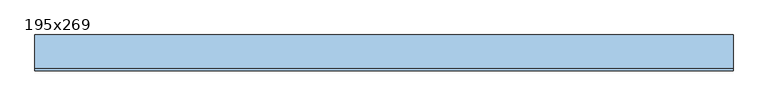
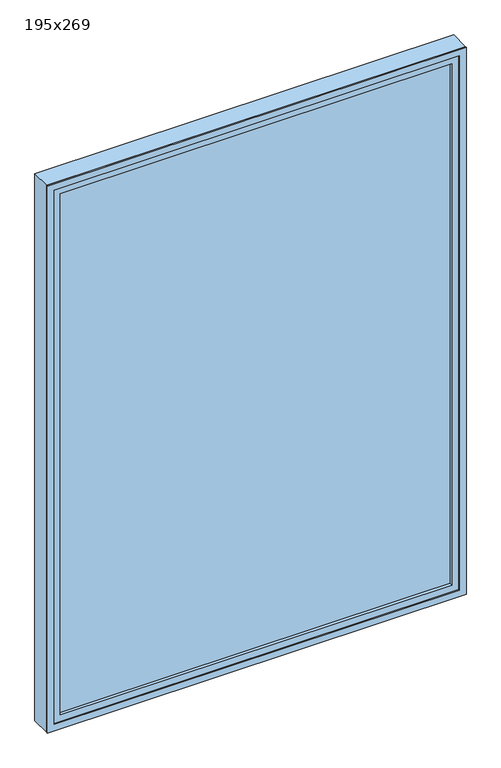
"""IFC4 building model written with IfcOpenShell, lengths in millimetres: window geometry, 195x269."""

from ifc_helpers import new_model, si_unit, frame, origin, place, context, project, spatial, polyline, outline, extrude, source, transform, mapped, element, save


def window_195x269_f2ac5d2d(model_context):
    return source(origin(), model_context, "Body", "SweptSolid", [
        extrude(outline(polyline([(873.4, -28.575), (-949.6, -28.575), (-949.6, -15.875), (873.4, -15.875), (873.4, -28.575)])), frame((0.0, 0.0, 977.9), z_axis=(0.0, 0.0, 1.0), x_axis=(1.0, 0.0, 0.0)), (0.0, 0.0, 1.0), 2563.0),
        extrude(outline(polyline([(3585.35, -994.05), (933.45, -994.05), (933.45, 917.85), (3585.35, 917.85), (3585.35, -994.05)]), holes=[polyline([(3540.9, -949.6), (3540.9, 873.4), (977.9, 873.4), (977.9, -949.6), (3540.9, -949.6)])]), frame((0.0, -44.45, 0.0), z_axis=(0.0, 1.0, 0.0), x_axis=(0.0, 0.0, 1.0)), (0.0, 0.0, 1.0), 44.45),
        extrude(outline(polyline([(3604.4, -1013.1), (914.4, -1013.1), (914.4, 936.9), (3604.4, 936.9), (3604.4, -1013.1)]), holes=[polyline([(3572.65, -981.35), (3572.65, 905.15), (946.15, 905.15), (946.15, -981.35), (3572.65, -981.35)])]), frame((0.0, -50.0, 0.0), z_axis=(0.0, 1.0, 0.0), x_axis=(0.0, 0.0, 1.0)), (0.0, 0.0, 1.0), 5.55),
        extrude(outline(polyline([(3604.4, 936.9), (3604.4, -1013.1), (914.4, -1013.1), (914.4, 936.9), (3604.4, 936.9)]), holes=[polyline([(3585.35, 917.85), (933.45, 917.85), (933.45, -994.05), (3585.35, -994.05), (3585.35, 917.85)])]), frame((0.0, -44.45, 0.0), z_axis=(0.0, 1.0, 0.0), x_axis=(0.0, 0.0, 1.0)), (0.0, 0.0, 1.0), 94.45),
    ])


if __name__ == "__main__":
    model = new_model("IFC4")
    model_context = context("Model", 3, world=origin())
    ifc_project = project(units=[si_unit("LENGTHUNIT", "METRE", prefix="MILLI")], contexts=[model_context])
    site = spatial("IfcSite", under=ifc_project)
    building = spatial("IfcBuilding", under=site)
    placement = place(None, origin())
    window_195x269_shape = window_195x269_f2ac5d2d(model_context)
    element("IfcWindow", 1, ObjectType="195x269", at=placement, inside=building, context=model_context, shape_type="MappedRepresentation", body=[
        mapped(window_195x269_shape, transform((0.0, 0.0, 0.0), x_axis=(1.0, 0.0, 0.0), y_axis=(0.0, 1.0, 0.0), z_axis=(0.0, 0.0, 1.0))),
    ])
    save(model, "model.ifc")
